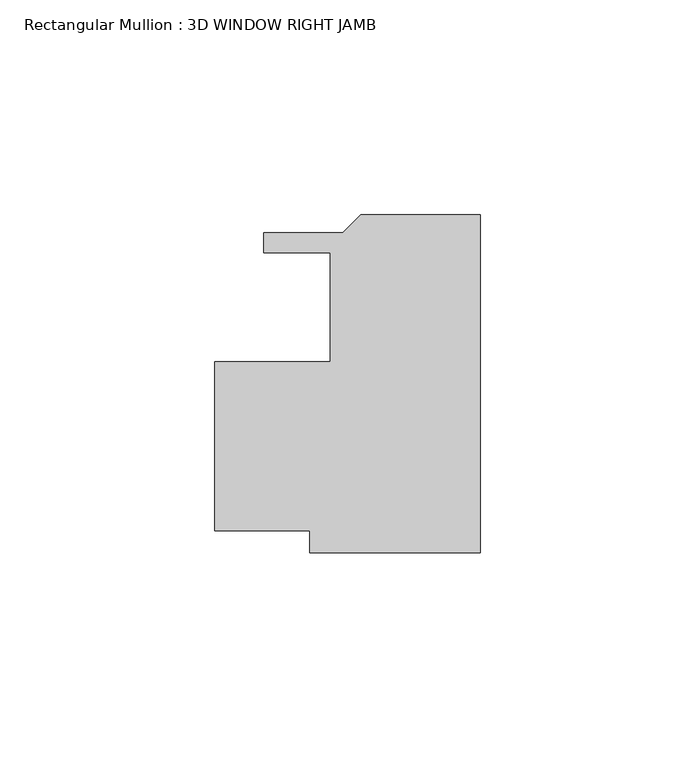
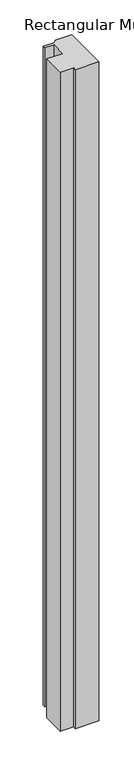
"""IFC4 building model written with IfcOpenShell, lengths in millimetres: member geometry, Rectangular Mullion : 3D WINDOW RIGHT JAMB."""

from ifc_helpers import new_model, si_unit, frame, origin, place, context, project, spatial, polyline, outline, extrude, source, transform, mapped, element, save


def rectangular_mullion_3d_window_right_jamb_1e68c60c(model_context):
    return source(origin(), model_context, "Body", "SweptSolid", [
        extrude(outline(polyline([(0.0, -57.1388465), (-39.7006057, -57.1388465), (-39.7006057, -52.0588038), (-61.9125, -52.0588038), (-61.9125, -12.6888039), (-34.9381058, -12.6888039), (-34.9381058, 12.7111961), (-50.4261495, 12.7111961), (-50.4261495, 17.4101962), (-32.0436417, 17.4101962), (-27.7764417, 21.6773962), (0.0, 21.6773962), (0.0, -57.1388465)])), frame((0.0, 0.0, -1168.4), z_axis=(0.0, 0.0, 1.0), x_axis=(1.0, 0.0, 0.0)), (0.0, 0.0, 1.0), 1168.4),
    ])


if __name__ == "__main__":
    model = new_model("IFC4")
    model_context = context("Model", 3, world=origin())
    ifc_project = project(units=[si_unit("LENGTHUNIT", "METRE", prefix="MILLI")], contexts=[model_context])
    site = spatial("IfcSite", under=ifc_project)
    building = spatial("IfcBuilding", under=site)
    placement = place(None, origin())
    rectangular_mullion_3d_window_right_jamb_shape = rectangular_mullion_3d_window_right_jamb_1e68c60c(model_context)
    element("IfcMember", 1, ObjectType="Rectangular Mullion : 3D WINDOW RIGHT JAMB", at=placement, inside=building, context=model_context, shape_type="MappedRepresentation", body=[
        mapped(rectangular_mullion_3d_window_right_jamb_shape, transform((0.0, 0.0, 0.0), x_axis=(1.0, 0.0, 0.0), y_axis=(0.0, 1.0, 0.0), z_axis=(0.0, 0.0, 1.0))),
    ])
    save(model, "model.ifc")
